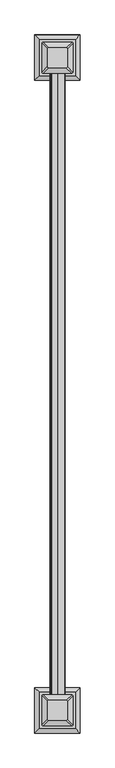
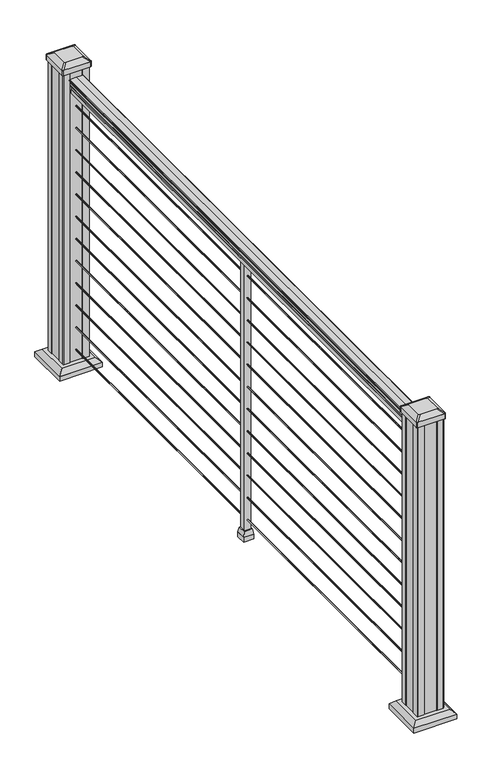
"""IFC4 building model written with IfcOpenShell, lengths in millimetres: railing geometry."""

from ifc_helpers import new_model, si_unit, point, frame, frame_2d, origin, origin_with_axes, place, context, project, spatial, polyline, circle_curve, trimmed, segment, composite_curve, outline, extrude, faceted_brep, source, transform, mapped, element, save
from ifc_brep_helpers import plane_surface, extruded_surface, advanced_brep


def railing_dcff2e19(model_context):
    return source(origin(), model_context, "Body", "SolidModel", [
        extrude(outline(composite_curve([segment(polyline([(938.4043297, -401.8210301), (940.292412, -401.8210301)]), True, "CONTINUOUS"), segment(trimmed(circle_curve(frame_2d((946.0506383, -408.1357833)), 8.545951), [point((940.292412, -401.8210301))], [point((941.8546695, -400.6908438))], False, "CARTESIAN"), True, "CONTINUOUS"), segment(trimmed(circle_curve(frame_2d((945.4636577, -407.6987204)), 7.882584), [point((941.8546695, -400.6908438))], [point((949.0726458, -400.6908438))], False, "CARTESIAN"), True, "CONTINUOUS"), segment(trimmed(circle_curve(frame_2d((951.3112527, -397.1853963)), 4.1592695), [point((949.0726458, -400.6908438))], [point((951.5060812, -401.3401002))], True, "CARTESIAN"), True, "CONTINUOUS"), segment(trimmed(circle_curve(frame_2d((951.2508864, -395.8980897)), 5.4479907), [point((951.5060812, -401.3401002))], [point((955.8362083, -398.8401002))], True, "CARTESIAN"), True, "CONTINUOUS"), segment(trimmed(circle_curve(frame_2d((955.833395, -397.1312481)), 1.7088543), [point((955.8362083, -398.8401002))], [point((957.5157972, -397.4307577))], True, "CARTESIAN"), True, "CONTINUOUS"), segment(trimmed(circle_curve(frame_2d((958.6205318, -398.7481482)), 1.7192895), [point((957.5157972, -397.4307577))], [point((958.6205318, -397.0288587))], False, "CARTESIAN"), True, "CONTINUOUS"), segment(polyline([(958.6205318, -397.0288587), (959.9608158, -397.0288588)]), True, "CONTINUOUS"), segment(trimmed(circle_curve(frame_2d((959.9608158, -398.582306)), 1.5534472), [point((959.9608158, -397.0288588))], [point((961.514263, -398.582306))], False, "CARTESIAN"), True, "CONTINUOUS"), segment(polyline([(961.514263, -398.582306), (961.514263, -419.2538588), (961.514263, -439.9254116)]), True, "CONTINUOUS"), segment(trimmed(circle_curve(frame_2d((959.9608158, -439.9254116)), 1.5534472), [point((961.514263, -439.9254116))], [point((959.9608158, -441.4788588))], False, "CARTESIAN"), True, "CONTINUOUS"), segment(polyline([(959.9608158, -441.4788588), (958.6205318, -441.4788588)]), True, "CONTINUOUS"), segment(trimmed(circle_curve(frame_2d((958.6205318, -439.7595694)), 1.7192895), [point((958.6205318, -441.4788588))], [point((957.5157972, -441.0769599))], False, "CARTESIAN"), True, "CONTINUOUS"), segment(trimmed(circle_curve(frame_2d((955.833395, -441.3764695)), 1.7088543), [point((957.5157972, -441.0769599))], [point((955.8362083, -439.6676174))], True, "CARTESIAN"), True, "CONTINUOUS"), segment(trimmed(circle_curve(frame_2d((951.2508864, -442.6096279)), 5.4479907), [point((955.8362083, -439.6676174))], [point((951.5060812, -437.1676174))], True, "CARTESIAN"), True, "CONTINUOUS"), segment(trimmed(circle_curve(frame_2d((951.3112527, -441.3223214)), 4.1592695), [point((951.5060812, -437.1676174))], [point((949.0726458, -437.8168738))], True, "CARTESIAN"), True, "CONTINUOUS"), segment(trimmed(circle_curve(frame_2d((945.4636577, -430.8089972)), 7.882584), [point((949.0726458, -437.8168738))], [point((941.8546695, -437.8168738))], False, "CARTESIAN"), True, "CONTINUOUS"), segment(trimmed(circle_curve(frame_2d((946.0506383, -430.3719343)), 8.545951), [point((941.8546695, -437.8168738))], [point((940.292412, -436.6866875))], False, "CARTESIAN"), True, "CONTINUOUS"), segment(polyline([(940.292412, -436.6866875), (938.4043297, -436.6866875)]), True, "CONTINUOUS"), segment(trimmed(circle_curve(frame_2d((938.4043297, -435.3997732)), 1.2869144), [point((938.4043297, -436.6866875))], [point((938.4043297, -434.1128588))], False, "CARTESIAN"), True, "CONTINUOUS"), segment(polyline([(938.4043297, -434.1128588), (927.9048283, -434.1128588), (926.8888283, -435.1288588), (914.4, -435.1288588), (914.4, -403.3788588), (926.731013, -403.3788588), (927.747013, -404.3948588), (938.4043297, -404.3948588)]), True, "CONTINUOUS"), segment(trimmed(circle_curve(frame_2d((938.4043297, -403.1079444)), 1.2869144), [point((938.4043297, -404.3948588))], [point((938.4043297, -401.8210301))], False, "CARTESIAN"), True, "CONTINUOUS")], self_intersect=False)), frame((0.0, -97151.4786705, 0.0), z_axis=(0.0, 1.0, 0.0), x_axis=(0.0, 0.0, 1.0)), (0.0, 0.0, 1.0), 1828.8),
        extrude(outline(composite_curve([segment(trimmed(circle_curve(frame_2d((65.024, -419.2538588)), 1.5875), [point((65.024, -420.8413588))], [point((63.4365, -419.2538588))], False, "CARTESIAN"), True, "CONTINUOUS"), segment(trimmed(circle_curve(frame_2d((65.024, -419.2538588)), 1.5875), [point((63.4365, -419.2538588))], [point((65.024, -417.6663588))], False, "CARTESIAN"), True, "CONTINUOUS"), segment(trimmed(circle_curve(frame_2d((65.024, -419.2538588)), 1.5875), [point((65.024, -417.6663588))], [point((66.6115, -419.2538588))], False, "CARTESIAN"), True, "CONTINUOUS"), segment(trimmed(circle_curve(frame_2d((65.024, -419.2538588)), 1.5875), [point((66.6115, -419.2538588))], [point((65.024, -420.8413588))], False, "CARTESIAN"), True, "CONTINUOUS")], self_intersect=False)), frame((0.0, -97151.4786705, 0.0), z_axis=(0.0, 1.0, 0.0), x_axis=(0.0, 0.0, 1.0)), (0.0, 0.0, 1.0), 1828.8),
        extrude(outline(composite_curve([segment(trimmed(circle_curve(frame_2d((138.176, -419.2538588)), 1.5875), [point((138.176, -420.8413588))], [point((136.5885, -419.2538588))], False, "CARTESIAN"), True, "CONTINUOUS"), segment(trimmed(circle_curve(frame_2d((138.176, -419.2538588)), 1.5875), [point((136.5885, -419.2538588))], [point((138.176, -417.6663588))], False, "CARTESIAN"), True, "CONTINUOUS"), segment(trimmed(circle_curve(frame_2d((138.176, -419.2538588)), 1.5875), [point((138.176, -417.6663588))], [point((139.7635, -419.2538588))], False, "CARTESIAN"), True, "CONTINUOUS"), segment(trimmed(circle_curve(frame_2d((138.176, -419.2538588)), 1.5875), [point((139.7635, -419.2538588))], [point((138.176, -420.8413588))], False, "CARTESIAN"), True, "CONTINUOUS")], self_intersect=False)), frame((0.0, -97151.4786705, 0.0), z_axis=(0.0, 1.0, 0.0), x_axis=(0.0, 0.0, 1.0)), (0.0, 0.0, 1.0), 1828.8),
        extrude(outline(composite_curve([segment(trimmed(circle_curve(frame_2d((211.074, -419.2538588)), 1.5875), [point((211.074, -420.8413588))], [point((209.4865, -419.2538588))], False, "CARTESIAN"), True, "CONTINUOUS"), segment(trimmed(circle_curve(frame_2d((211.074, -419.2538588)), 1.5875), [point((209.4865, -419.2538588))], [point((211.074, -417.6663588))], False, "CARTESIAN"), True, "CONTINUOUS"), segment(trimmed(circle_curve(frame_2d((211.074, -419.2538588)), 1.5875), [point((211.074, -417.6663588))], [point((212.6615, -419.2538588))], False, "CARTESIAN"), True, "CONTINUOUS"), segment(trimmed(circle_curve(frame_2d((211.074, -419.2538588)), 1.5875), [point((212.6615, -419.2538588))], [point((211.074, -420.8413588))], False, "CARTESIAN"), True, "CONTINUOUS")], self_intersect=False)), frame((0.0, -97151.4786705, 0.0), z_axis=(0.0, 1.0, 0.0), x_axis=(0.0, 0.0, 1.0)), (0.0, 0.0, 1.0), 1828.8),
        extrude(outline(composite_curve([segment(trimmed(circle_curve(frame_2d((284.226, -419.2538588)), 1.5875), [point((284.226, -420.8413588))], [point((282.6385, -419.2538588))], False, "CARTESIAN"), True, "CONTINUOUS"), segment(trimmed(circle_curve(frame_2d((284.226, -419.2538588)), 1.5875), [point((282.6385, -419.2538588))], [point((284.226, -417.6663588))], False, "CARTESIAN"), True, "CONTINUOUS"), segment(trimmed(circle_curve(frame_2d((284.226, -419.2538588)), 1.5875), [point((284.226, -417.6663588))], [point((285.8135, -419.2538588))], False, "CARTESIAN"), True, "CONTINUOUS"), segment(trimmed(circle_curve(frame_2d((284.226, -419.2538588)), 1.5875), [point((285.8135, -419.2538588))], [point((284.226, -420.8413588))], False, "CARTESIAN"), True, "CONTINUOUS")], self_intersect=False)), frame((0.0, -97151.4786705, 0.0), z_axis=(0.0, 1.0, 0.0), x_axis=(0.0, 0.0, 1.0)), (0.0, 0.0, 1.0), 1828.8),
        extrude(outline(composite_curve([segment(trimmed(circle_curve(frame_2d((357.124, -419.2538588)), 1.5875), [point((357.124, -420.8413588))], [point((355.5365, -419.2538588))], False, "CARTESIAN"), True, "CONTINUOUS"), segment(trimmed(circle_curve(frame_2d((357.124, -419.2538588)), 1.5875), [point((355.5365, -419.2538588))], [point((357.124, -417.6663588))], False, "CARTESIAN"), True, "CONTINUOUS"), segment(trimmed(circle_curve(frame_2d((357.124, -419.2538588)), 1.5875), [point((357.124, -417.6663588))], [point((358.7115, -419.2538588))], False, "CARTESIAN"), True, "CONTINUOUS"), segment(trimmed(circle_curve(frame_2d((357.124, -419.2538588)), 1.5875), [point((358.7115, -419.2538588))], [point((357.124, -420.8413588))], False, "CARTESIAN"), True, "CONTINUOUS")], self_intersect=False)), frame((0.0, -97151.4786705, 0.0), z_axis=(0.0, 1.0, 0.0), x_axis=(0.0, 0.0, 1.0)), (0.0, 0.0, 1.0), 1828.8),
        extrude(outline(composite_curve([segment(trimmed(circle_curve(frame_2d((430.276, -419.2538588)), 1.5875), [point((430.276, -420.8413588))], [point((428.6885, -419.2538588))], False, "CARTESIAN"), True, "CONTINUOUS"), segment(trimmed(circle_curve(frame_2d((430.276, -419.2538588)), 1.5875), [point((428.6885, -419.2538588))], [point((430.276, -417.6663588))], False, "CARTESIAN"), True, "CONTINUOUS"), segment(trimmed(circle_curve(frame_2d((430.276, -419.2538588)), 1.5875), [point((430.276, -417.6663588))], [point((431.8635, -419.2538588))], False, "CARTESIAN"), True, "CONTINUOUS"), segment(trimmed(circle_curve(frame_2d((430.276, -419.2538588)), 1.5875), [point((431.8635, -419.2538588))], [point((430.276, -420.8413588))], False, "CARTESIAN"), True, "CONTINUOUS")], self_intersect=False)), frame((0.0, -97151.4786705, 0.0), z_axis=(0.0, 1.0, 0.0), x_axis=(0.0, 0.0, 1.0)), (0.0, 0.0, 1.0), 1828.8),
        extrude(outline(composite_curve([segment(trimmed(circle_curve(frame_2d((503.174, -419.2538588)), 1.5875), [point((503.174, -420.8413588))], [point((501.5865, -419.2538588))], False, "CARTESIAN"), True, "CONTINUOUS"), segment(trimmed(circle_curve(frame_2d((503.174, -419.2538588)), 1.5875), [point((501.5865, -419.2538588))], [point((503.174, -417.6663588))], False, "CARTESIAN"), True, "CONTINUOUS"), segment(trimmed(circle_curve(frame_2d((503.174, -419.2538588)), 1.5875), [point((503.174, -417.6663588))], [point((504.7615, -419.2538588))], False, "CARTESIAN"), True, "CONTINUOUS"), segment(trimmed(circle_curve(frame_2d((503.174, -419.2538588)), 1.5875), [point((504.7615, -419.2538588))], [point((503.174, -420.8413588))], False, "CARTESIAN"), True, "CONTINUOUS")], self_intersect=False)), frame((0.0, -97151.4786705, 0.0), z_axis=(0.0, 1.0, 0.0), x_axis=(0.0, 0.0, 1.0)), (0.0, 0.0, 1.0), 1828.8),
        extrude(outline(composite_curve([segment(trimmed(circle_curve(frame_2d((576.326, -419.2538588)), 1.5875), [point((576.326, -420.8413588))], [point((574.7385, -419.2538588))], False, "CARTESIAN"), True, "CONTINUOUS"), segment(trimmed(circle_curve(frame_2d((576.326, -419.2538588)), 1.5875), [point((574.7385, -419.2538588))], [point((576.326, -417.6663588))], False, "CARTESIAN"), True, "CONTINUOUS"), segment(trimmed(circle_curve(frame_2d((576.326, -419.2538588)), 1.5875), [point((576.326, -417.6663588))], [point((577.9135, -419.2538588))], False, "CARTESIAN"), True, "CONTINUOUS"), segment(trimmed(circle_curve(frame_2d((576.326, -419.2538588)), 1.5875), [point((577.9135, -419.2538588))], [point((576.326, -420.8413588))], False, "CARTESIAN"), True, "CONTINUOUS")], self_intersect=False)), frame((0.0, -97151.4786705, 0.0), z_axis=(0.0, 1.0, 0.0), x_axis=(0.0, 0.0, 1.0)), (0.0, 0.0, 1.0), 1828.8),
        extrude(outline(composite_curve([segment(trimmed(circle_curve(frame_2d((649.224, -419.2538588)), 1.5875), [point((649.224, -420.8413588))], [point((647.6365, -419.2538588))], False, "CARTESIAN"), True, "CONTINUOUS"), segment(trimmed(circle_curve(frame_2d((649.224, -419.2538588)), 1.5875), [point((647.6365, -419.2538588))], [point((649.224, -417.6663588))], False, "CARTESIAN"), True, "CONTINUOUS"), segment(trimmed(circle_curve(frame_2d((649.224, -419.2538588)), 1.5875), [point((649.224, -417.6663588))], [point((650.8115, -419.2538588))], False, "CARTESIAN"), True, "CONTINUOUS"), segment(trimmed(circle_curve(frame_2d((649.224, -419.2538588)), 1.5875), [point((650.8115, -419.2538588))], [point((649.224, -420.8413588))], False, "CARTESIAN"), True, "CONTINUOUS")], self_intersect=False)), frame((0.0, -97151.4786705, 0.0), z_axis=(0.0, 1.0, 0.0), x_axis=(0.0, 0.0, 1.0)), (0.0, 0.0, 1.0), 1828.8),
        extrude(outline(composite_curve([segment(trimmed(circle_curve(frame_2d((722.376, -419.2538588)), 1.5875), [point((722.376, -420.8413588))], [point((720.7885, -419.2538588))], False, "CARTESIAN"), True, "CONTINUOUS"), segment(trimmed(circle_curve(frame_2d((722.376, -419.2538588)), 1.5875), [point((720.7885, -419.2538588))], [point((722.376, -417.6663588))], False, "CARTESIAN"), True, "CONTINUOUS"), segment(trimmed(circle_curve(frame_2d((722.376, -419.2538588)), 1.5875), [point((722.376, -417.6663588))], [point((723.9635, -419.2538588))], False, "CARTESIAN"), True, "CONTINUOUS"), segment(trimmed(circle_curve(frame_2d((722.376, -419.2538588)), 1.5875), [point((723.9635, -419.2538588))], [point((722.376, -420.8413588))], False, "CARTESIAN"), True, "CONTINUOUS")], self_intersect=False)), frame((0.0, -97151.4786705, 0.0), z_axis=(0.0, 1.0, 0.0), x_axis=(0.0, 0.0, 1.0)), (0.0, 0.0, 1.0), 1828.8),
        extrude(outline(composite_curve([segment(trimmed(circle_curve(frame_2d((795.274, -419.2538588)), 1.5875), [point((795.274, -420.8413588))], [point((793.6865, -419.2538588))], False, "CARTESIAN"), True, "CONTINUOUS"), segment(trimmed(circle_curve(frame_2d((795.274, -419.2538588)), 1.5875), [point((793.6865, -419.2538588))], [point((795.274, -417.6663588))], False, "CARTESIAN"), True, "CONTINUOUS"), segment(trimmed(circle_curve(frame_2d((795.274, -419.2538588)), 1.5875), [point((795.274, -417.6663588))], [point((796.8615, -419.2538588))], False, "CARTESIAN"), True, "CONTINUOUS"), segment(trimmed(circle_curve(frame_2d((795.274, -419.2538588)), 1.5875), [point((796.8615, -419.2538588))], [point((795.274, -420.8413588))], False, "CARTESIAN"), True, "CONTINUOUS")], self_intersect=False)), frame((0.0, -97151.4786705, 0.0), z_axis=(0.0, 1.0, 0.0), x_axis=(0.0, 0.0, 1.0)), (0.0, 0.0, 1.0), 1828.8),
        extrude(outline(composite_curve([segment(trimmed(circle_curve(frame_2d((868.426, -419.2538588)), 1.5875), [point((868.426, -420.8413588))], [point((866.8385, -419.2538588))], False, "CARTESIAN"), True, "CONTINUOUS"), segment(trimmed(circle_curve(frame_2d((868.426, -419.2538588)), 1.5875), [point((866.8385, -419.2538588))], [point((868.426, -417.6663588))], False, "CARTESIAN"), True, "CONTINUOUS"), segment(trimmed(circle_curve(frame_2d((868.426, -419.2538588)), 1.5875), [point((868.426, -417.6663588))], [point((870.0135, -419.2538588))], False, "CARTESIAN"), True, "CONTINUOUS"), segment(trimmed(circle_curve(frame_2d((868.426, -419.2538588)), 1.5875), [point((870.0135, -419.2538588))], [point((868.426, -420.8413588))], False, "CARTESIAN"), True, "CONTINUOUS")], self_intersect=False)), frame((0.0, -97151.4786705, 0.0), z_axis=(0.0, 1.0, 0.0), x_axis=(0.0, 0.0, 1.0)), (0.0, 0.0, 1.0), 1828.8),
        faceted_brep([(-406.5538588, -96249.7786705, 32.1497081), (-406.5538588, -96224.3786705, 32.1497081), (-431.9538588, -96224.3786705, 32.1497081), (-431.9538588, -96249.7786705, 32.1497081), (-403.3788588, -96252.9536705, 16.2747081), (-435.1288588, -96252.9536705, 16.2747081), (-435.1288588, -96221.2036705, 16.2747081), (-403.3788588, -96221.2036705, 16.2747081)], [[[0, 1, 2, 3]], [[4, 5, 6, 7]], [[4, 0, 3, 5]], [[5, 3, 2, 6]], [[6, 2, 1, 7]], [[7, 1, 0, 4]]]),
        extrude(outline(polyline([(-403.3788588, -96252.9536705), (-435.1288588, -96252.9536705), (-435.1288588, -96221.2036705), (-403.3788588, -96221.2036705), (-403.3788588, -96252.9536705)])), origin_with_axes(), (0.0, 0.0, 1.0), 16.2747081),
        extrude(outline(polyline([(-409.7288588, -96246.6036705), (-428.7788588, -96246.6036705), (-428.7788588, -96227.5536705), (-409.7288588, -96227.5536705), (-409.7288588, -96246.6036705)])), origin_with_axes(), (0.0, 0.0, 1.0), 914.4),
        faceted_brep([(-366.6679213, -95333.862608, 28.575), (-366.6679213, -95228.690733, 28.575), (-471.8397963, -95228.690733, 28.575), (-471.8397963, -95333.862608, 28.575), (-352.6284682, -95347.9020611, 15.24), (-485.8792494, -95347.9020611, 15.24), (-485.8792494, -95214.6512798, 15.24), (-352.6284682, -95214.6512798, 15.24)], [[[0, 1, 2, 3]], [[4, 5, 6, 7]], [[4, 0, 3, 5]], [[5, 3, 2, 6]], [[6, 2, 1, 7]], [[7, 1, 0, 4]]]),
        extrude(outline(polyline([(-352.6284682, -95347.9020611), (-485.8792494, -95347.9020611), (-485.8792494, -95214.6512798), (-352.6284682, -95214.6512798), (-352.6284682, -95347.9020611)])), origin_with_axes(), (0.0, 0.0, 1.0), 15.24),
        advanced_brep(
        [(-445.0507338, -95310.2485455, 1012.825), (-393.4569838, -95310.2485455, 1012.825), (-390.2819838, -95307.0735455, 1012.825), (-390.2819838, -95255.4797955, 1012.825), (-393.4569838, -95252.3047955, 1012.825), (-445.0507338, -95252.3047955, 1012.825), (-448.2257338, -95255.4797955, 1012.825), (-448.2257338, -95307.0735455, 1012.825), (-461.3226088, -95326.5204205, 1001.522), (-464.4976088, -95323.3454205, 1001.522), (-464.4976088, -95239.2079205, 1001.522), (-461.3226088, -95236.0329205, 1001.522), (-377.1851088, -95236.0329205, 1001.522), (-374.0101088, -95239.2079205, 1001.522), (-374.0101088, -95323.3454205, 1001.522), (-377.1851088, -95326.5204205, 1001.522)],
        [
            (0, 1),
            (1, 2, circle_curve(frame((-393.4569838, -95307.0735455, 1012.825), z_axis=(0.0, 0.0, 1.0), x_axis=(0.0, 1.0, 0.0)), 3.175)),
            (2, 3),
            (3, 4, circle_curve(frame((-393.4569838, -95255.4797955, 1012.825), z_axis=(0.0, 0.0, 1.0), x_axis=(0.0, 1.0, 0.0)), 3.175)),
            (4, 5),
            (5, 6, circle_curve(frame((-445.0507338, -95255.4797955, 1012.825), z_axis=(0.0, 0.0, 1.0), x_axis=(0.0, 1.0, 0.0)), 3.175)),
            (6, 7),
            (7, 0, circle_curve(frame((-445.0507338, -95307.0735455, 1012.825), z_axis=(0.0, 0.0, 1.0), x_axis=(0.0, 1.0, 0.0)), 3.175)),
            (8, 9, circle_curve(frame((-461.3226088, -95323.3454205, 1001.522), z_axis=(0.0, 0.0, -1.0), x_axis=(0.0, 1.0, 0.0)), 3.175)),
            (9, 10),
            (10, 11, circle_curve(frame((-461.3226088, -95239.2079205, 1001.522), z_axis=(0.0, 0.0, -1.0), x_axis=(0.0, 1.0, 0.0)), 3.175)),
            (11, 12),
            (12, 13, circle_curve(frame((-377.1851088, -95239.2079205, 1001.522), z_axis=(0.0, 0.0, -1.0), x_axis=(0.0, 1.0, 0.0)), 3.175)),
            (13, 14),
            (14, 15, circle_curve(frame((-377.1851088, -95323.3454205, 1001.522), z_axis=(0.0, 0.0, -1.0), x_axis=(0.0, 1.0, 0.0)), 3.175)),
            (15, 8),
            (8, 0),
            (7, 9),
            (6, 10),
            (5, 11),
            (4, 12),
            (3, 13),
            (2, 14),
            (1, 15),
        ],
        [
            plane_surface(frame((-419.2538588, -95281.2766705, 1012.825), z_axis=(0.0, 0.0, 1.0), x_axis=(-1.0, 0.0, 0.0))),
            plane_surface(frame((-419.2538588, -95281.2766705, 1001.522), z_axis=(0.0, 0.0, -1.0), x_axis=(-1.0, 0.0, 0.0))),
            extruded_surface(trimmed(circle_curve(frame((-445.0507338, -95307.0735455, 1012.825), z_axis=(0.0, 0.0, -1.0), x_axis=(0.0, 1.0, 0.0)), 3.175), [point((-445.0507338, -95310.2485455, 1012.825))], [point((-448.2257338, -95307.0735455, 1012.825))], True, "CARTESIAN"), (-16.271875000000023, -16.27187500000582, -11.302999999999997), 25.637972638869872),
            plane_surface(frame((-464.4976088, -95281.2766705, 1001.522), z_axis=(-0.5705009161540779, 0.0, 0.8212969649690408), x_axis=(0.0, 1.0, 0.0))),
            extruded_surface(trimmed(circle_curve(frame((-445.0507338, -95255.4797955, 1012.825), z_axis=(0.0, 0.0, -1.0), x_axis=(0.0, 1.0, 0.0)), 3.175), [point((-448.2257338, -95255.4797955, 1012.825))], [point((-445.0507338, -95252.3047955, 1012.825))], True, "CARTESIAN"), (-16.271875000000023, 16.27187499999127, -11.302999999999997), 25.637972638860635),
            plane_surface(frame((-419.2538588, -95236.0329205, 1001.522), z_axis=(0.0, 0.5705009161540291, 0.8212969649690747), x_axis=(1.0, 0.0, 0.0))),
            extruded_surface(trimmed(circle_curve(frame((-393.4569838, -95255.4797955, 1012.825), z_axis=(0.0, 0.0, -1.0), x_axis=(0.0, 1.0, 0.0)), 3.175), [point((-393.4569838, -95252.3047955, 1012.825))], [point((-390.2819838, -95255.4797955, 1012.825))], True, "CARTESIAN"), (16.271874999999966, 16.27187499999127, -11.302999999999997), 25.6379726388606),
            plane_surface(frame((-374.0101088, -95281.2766705, 1001.522), z_axis=(0.5705009161540141, 0.0, 0.8212969649690851), x_axis=(0.0, -1.0, 0.0))),
            extruded_surface(trimmed(circle_curve(frame((-393.4569838, -95307.0735455, 1012.825), z_axis=(0.0, 0.0, -1.0), x_axis=(0.0, 1.0, 0.0)), 3.175), [point((-390.2819838, -95307.0735455, 1012.825))], [point((-393.4569838, -95310.2485455, 1012.825))], True, "CARTESIAN"), (16.271874999999966, -16.27187500000582, -11.302999999999997), 25.637972638869837),
            plane_surface(frame((-419.2538588, -95326.5204205, 1001.522), z_axis=(0.0, -0.570500916154034, 0.8212969649690713), x_axis=(-1.0, 0.0, 0.0))),
        ],
        [
            (0, [[1, 2, 3, 4, 5, 6, 7, 8]]),
            (1, [[9, 10, 11, 12, 13, 14, 15, 16]]),
            (2, [[17, -8, 18, -9]]),
            (3, [[-18, -7, 19, -10]]),
            (4, [[-19, -6, 20, -11]]),
            (5, [[-20, -5, 21, -12]]),
            (6, [[-21, -4, 22, -13]]),
            (7, [[-22, -3, 23, -14]]),
            (8, [[-23, -2, 24, -15]]),
            (9, [[-24, -1, -17, -16]]),
        ],
    ),
        extrude(outline(composite_curve([segment(trimmed(circle_curve(frame_2d((-461.3226088, -95323.3454205)), 3.175), [point((-461.3226088, -95326.5204205))], [point((-464.4976088, -95323.3454205))], False, "CARTESIAN"), True, "CONTINUOUS"), segment(polyline([(-464.4976088, -95323.3454205), (-464.4976088, -95239.2079205)]), True, "CONTINUOUS"), segment(trimmed(circle_curve(frame_2d((-461.3226088, -95239.2079205)), 3.175), [point((-464.4976088, -95239.2079205))], [point((-461.3226088, -95236.0329205))], False, "CARTESIAN"), True, "CONTINUOUS"), segment(polyline([(-461.3226088, -95236.0329205), (-377.1851088, -95236.0329205)]), True, "CONTINUOUS"), segment(trimmed(circle_curve(frame_2d((-377.1851088, -95239.2079205)), 3.175), [point((-377.1851088, -95236.0329205))], [point((-374.0101088, -95239.2079205))], False, "CARTESIAN"), True, "CONTINUOUS"), segment(polyline([(-374.0101088, -95239.2079205), (-374.0101088, -95323.3454205)]), True, "CONTINUOUS"), segment(trimmed(circle_curve(frame_2d((-377.1851088, -95323.3454205)), 3.175), [point((-374.0101088, -95323.3454205))], [point((-377.1851088, -95326.5204205))], False, "CARTESIAN"), True, "CONTINUOUS"), segment(polyline([(-377.1851088, -95326.5204205), (-461.3226088, -95326.5204205)]), True, "CONTINUOUS")], self_intersect=False)), frame((0.0, 0.0, 984.25), z_axis=(0.0, 0.0, 1.0), x_axis=(1.0, 0.0, 0.0)), (0.0, 0.0, 1.0), 17.272),
        extrude(outline(polyline([(-458.9413588, -95322.5516705), (-460.5288588, -95320.9641705), (-460.5288588, -95301.3426705), (-458.9413588, -95300.5806705), (-458.9413588, -95261.9726705), (-460.5288588, -95261.2106705), (-460.5288588, -95241.5891705), (-458.9413588, -95240.0016705), (-439.3198588, -95240.0016705), (-438.5578588, -95241.5891705), (-399.9498588, -95241.5891705), (-399.1878588, -95240.0016705), (-379.5663588, -95240.0016705), (-377.9788588, -95241.5891705), (-377.9788588, -95261.2106705), (-379.5663588, -95261.9726705), (-379.5663588, -95300.5806705), (-377.9788588, -95301.3426705), (-377.9788588, -95320.9641705), (-379.5663588, -95322.5516705), (-399.1878588, -95322.5516705), (-399.9498588, -95320.9641705), (-438.5578588, -95320.9641705), (-439.3198588, -95322.5516705), (-458.9413588, -95322.5516705)])), origin_with_axes(), (0.0, 0.0, 1.0), 984.25),
        faceted_brep([(-366.6679213, -97245.466608, 28.575), (-366.6679213, -97140.294733, 28.575), (-471.8397963, -97140.294733, 28.575), (-471.8397963, -97245.466608, 28.575), (-352.6284682, -97259.5060611, 15.24), (-485.8792494, -97259.5060611, 15.24), (-485.8792494, -97126.2552798, 15.24), (-352.6284682, -97126.2552798, 15.24)], [[[0, 1, 2, 3]], [[4, 5, 6, 7]], [[4, 0, 3, 5]], [[5, 3, 2, 6]], [[6, 2, 1, 7]], [[7, 1, 0, 4]]]),
        extrude(outline(polyline([(-352.6284682, -97259.5060611), (-485.8792494, -97259.5060611), (-485.8792494, -97126.2552798), (-352.6284682, -97126.2552798), (-352.6284682, -97259.5060611)])), origin_with_axes(), (0.0, 0.0, 1.0), 15.24),
        advanced_brep(
        [(-445.0507338, -97221.8525455, 1012.825), (-393.4569838, -97221.8525455, 1012.825), (-390.2819838, -97218.6775455, 1012.825), (-390.2819838, -97167.0837955, 1012.825), (-393.4569838, -97163.9087955, 1012.825), (-445.0507338, -97163.9087955, 1012.825), (-448.2257338, -97167.0837955, 1012.825), (-448.2257338, -97218.6775455, 1012.825), (-461.3226088, -97238.1244205, 1001.522), (-464.4976088, -97234.9494205, 1001.522), (-464.4976088, -97150.8119205, 1001.522), (-461.3226088, -97147.6369205, 1001.522), (-377.1851088, -97147.6369205, 1001.522), (-374.0101088, -97150.8119205, 1001.522), (-374.0101088, -97234.9494205, 1001.522), (-377.1851088, -97238.1244205, 1001.522)],
        [
            (0, 1),
            (1, 2, circle_curve(frame((-393.4569838, -97218.6775455, 1012.825), z_axis=(0.0, 0.0, 1.0), x_axis=(0.0, 1.0, 0.0)), 3.175)),
            (2, 3),
            (3, 4, circle_curve(frame((-393.4569838, -97167.0837955, 1012.825), z_axis=(0.0, 0.0, 1.0), x_axis=(0.0, 1.0, 0.0)), 3.175)),
            (4, 5),
            (5, 6, circle_curve(frame((-445.0507338, -97167.0837955, 1012.825), z_axis=(0.0, 0.0, 1.0), x_axis=(0.0, 1.0, 0.0)), 3.175)),
            (6, 7),
            (7, 0, circle_curve(frame((-445.0507338, -97218.6775455, 1012.825), z_axis=(0.0, 0.0, 1.0), x_axis=(0.0, 1.0, 0.0)), 3.175)),
            (8, 9, circle_curve(frame((-461.3226088, -97234.9494205, 1001.522), z_axis=(0.0, 0.0, -1.0), x_axis=(0.0, 1.0, 0.0)), 3.175)),
            (9, 10),
            (10, 11, circle_curve(frame((-461.3226088, -97150.8119205, 1001.522), z_axis=(0.0, 0.0, -1.0), x_axis=(0.0, 1.0, 0.0)), 3.175)),
            (11, 12),
            (12, 13, circle_curve(frame((-377.1851088, -97150.8119205, 1001.522), z_axis=(0.0, 0.0, -1.0), x_axis=(0.0, 1.0, 0.0)), 3.175)),
            (13, 14),
            (14, 15, circle_curve(frame((-377.1851088, -97234.9494205, 1001.522), z_axis=(0.0, 0.0, -1.0), x_axis=(0.0, 1.0, 0.0)), 3.175)),
            (15, 8),
            (8, 0),
            (7, 9),
            (6, 10),
            (5, 11),
            (4, 12),
            (3, 13),
            (2, 14),
            (1, 15),
        ],
        [
            plane_surface(frame((-419.2538588, -97192.8806705, 1012.825), z_axis=(0.0, 0.0, 1.0), x_axis=(-1.0, 0.0, 0.0))),
            plane_surface(frame((-419.2538588, -97192.8806705, 1001.522), z_axis=(0.0, 0.0, -1.0), x_axis=(-1.0, 0.0, 0.0))),
            extruded_surface(trimmed(circle_curve(frame((-445.0507338, -97218.6775455, 1012.825), z_axis=(0.0, 0.0, -1.0), x_axis=(0.0, 1.0, 0.0)), 3.175), [point((-445.0507338, -97221.8525455, 1012.825))], [point((-448.2257338, -97218.6775455, 1012.825))], True, "CARTESIAN"), (-16.271875000000023, -16.27187499999127, -11.302999999999997), 25.637972638860635),
            plane_surface(frame((-464.4976088, -97192.8806705, 1001.522), z_axis=(-0.5705009161540779, 0.0, 0.8212969649690408), x_axis=(0.0, 1.0, 0.0))),
            extruded_surface(trimmed(circle_curve(frame((-445.0507338, -97167.0837955, 1012.825), z_axis=(0.0, 0.0, -1.0), x_axis=(0.0, 1.0, 0.0)), 3.175), [point((-448.2257338, -97167.0837955, 1012.825))], [point((-445.0507338, -97163.9087955, 1012.825))], True, "CARTESIAN"), (-16.271875000000023, 16.27187500000582, -11.302999999999997), 25.637972638869872),
            plane_surface(frame((-419.2538588, -97147.6369205, 1001.522), z_axis=(0.0, 0.5705009161540291, 0.8212969649690747), x_axis=(1.0, 0.0, 0.0))),
            extruded_surface(trimmed(circle_curve(frame((-393.4569838, -97167.0837955, 1012.825), z_axis=(0.0, 0.0, -1.0), x_axis=(0.0, 1.0, 0.0)), 3.175), [point((-393.4569838, -97163.9087955, 1012.825))], [point((-390.2819838, -97167.0837955, 1012.825))], True, "CARTESIAN"), (16.271874999999966, 16.27187500000582, -11.302999999999997), 25.637972638869837),
            plane_surface(frame((-374.0101088, -97192.8806705, 1001.522), z_axis=(0.5705009161540141, 0.0, 0.8212969649690851), x_axis=(0.0, -1.0, 0.0))),
            extruded_surface(trimmed(circle_curve(frame((-393.4569838, -97218.6775455, 1012.825), z_axis=(0.0, 0.0, -1.0), x_axis=(0.0, 1.0, 0.0)), 3.175), [point((-390.2819838, -97218.6775455, 1012.825))], [point((-393.4569838, -97221.8525455, 1012.825))], True, "CARTESIAN"), (16.271874999999966, -16.27187499999127, -11.302999999999997), 25.6379726388606),
            plane_surface(frame((-419.2538588, -97238.1244205, 1001.522), z_axis=(0.0, -0.570500916154034, 0.8212969649690713), x_axis=(-1.0, 0.0, 0.0))),
        ],
        [
            (0, [[1, 2, 3, 4, 5, 6, 7, 8]]),
            (1, [[9, 10, 11, 12, 13, 14, 15, 16]]),
            (2, [[17, -8, 18, -9]]),
            (3, [[-18, -7, 19, -10]]),
            (4, [[-19, -6, 20, -11]]),
            (5, [[-20, -5, 21, -12]]),
            (6, [[-21, -4, 22, -13]]),
            (7, [[-22, -3, 23, -14]]),
            (8, [[-23, -2, 24, -15]]),
            (9, [[-24, -1, -17, -16]]),
        ],
    ),
        extrude(outline(composite_curve([segment(trimmed(circle_curve(frame_2d((-461.3226088, -97234.9494205)), 3.175), [point((-461.3226088, -97238.1244205))], [point((-464.4976088, -97234.9494205))], False, "CARTESIAN"), True, "CONTINUOUS"), segment(polyline([(-464.4976088, -97234.9494205), (-464.4976088, -97150.8119205)]), True, "CONTINUOUS"), segment(trimmed(circle_curve(frame_2d((-461.3226088, -97150.8119205)), 3.175), [point((-464.4976088, -97150.8119205))], [point((-461.3226088, -97147.6369205))], False, "CARTESIAN"), True, "CONTINUOUS"), segment(polyline([(-461.3226088, -97147.6369205), (-377.1851088, -97147.6369205)]), True, "CONTINUOUS"), segment(trimmed(circle_curve(frame_2d((-377.1851088, -97150.8119205)), 3.175), [point((-377.1851088, -97147.6369205))], [point((-374.0101088, -97150.8119205))], False, "CARTESIAN"), True, "CONTINUOUS"), segment(polyline([(-374.0101088, -97150.8119205), (-374.0101088, -97234.9494205)]), True, "CONTINUOUS"), segment(trimmed(circle_curve(frame_2d((-377.1851088, -97234.9494205)), 3.175), [point((-374.0101088, -97234.9494205))], [point((-377.1851088, -97238.1244205))], False, "CARTESIAN"), True, "CONTINUOUS"), segment(polyline([(-377.1851088, -97238.1244205), (-461.3226088, -97238.1244205)]), True, "CONTINUOUS")], self_intersect=False)), frame((0.0, 0.0, 984.25), z_axis=(0.0, 0.0, 1.0), x_axis=(1.0, 0.0, 0.0)), (0.0, 0.0, 1.0), 17.272),
        extrude(outline(polyline([(-458.9413588, -97234.1556705), (-460.5288588, -97232.5681705), (-460.5288588, -97212.9466705), (-458.9413588, -97212.1846705), (-458.9413588, -97173.5766705), (-460.5288588, -97172.8146705), (-460.5288588, -97153.1931705), (-458.9413588, -97151.6056705), (-439.3198588, -97151.6056705), (-438.5578588, -97153.1931705), (-399.9498588, -97153.1931705), (-399.1878588, -97151.6056705), (-379.5663588, -97151.6056705), (-377.9788588, -97153.1931705), (-377.9788588, -97172.8146705), (-379.5663588, -97173.5766705), (-379.5663588, -97212.1846705), (-377.9788588, -97212.9466705), (-377.9788588, -97232.5681705), (-379.5663588, -97234.1556705), (-399.1878588, -97234.1556705), (-399.9498588, -97232.5681705), (-438.5578588, -97232.5681705), (-439.3198588, -97234.1556705), (-458.9413588, -97234.1556705)])), origin_with_axes(), (0.0, 0.0, 1.0), 984.25),
    ])


if __name__ == "__main__":
    model = new_model("IFC4")
    model_context = context("Model", 3, world=origin())
    ifc_project = project(units=[si_unit("LENGTHUNIT", "METRE", prefix="MILLI")], contexts=[model_context])
    site = spatial("IfcSite", under=ifc_project)
    building = spatial("IfcBuilding", under=site)
    placement = place(None, origin())
    railing_shape = railing_dcff2e19(model_context)
    element("IfcRailing", 1, at=placement, inside=building, context=model_context, shape_type="MappedRepresentation", body=[
        mapped(railing_shape, transform((0.0, 0.0, 0.0), x_axis=(1.0, 0.0, 0.0), y_axis=(0.0, 1.0, 0.0), z_axis=(0.0, 0.0, 1.0))),
    ])
    save(model, "model.ifc")
